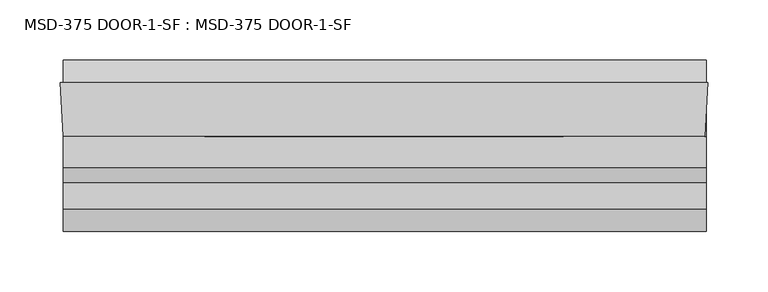
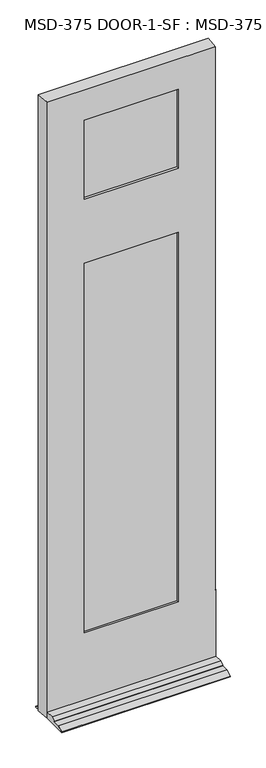
"""IFC4 building model written with IfcOpenShell, lengths in millimetres: plate geometry, MSD-375 DOOR-1-SF : MSD-375 DOOR-1-SF."""

from ifc_helpers import new_model, si_unit, frame, origin, place, context, project, spatial, polyline, outline, extrude, faceted_brep, source, transform, mapped, element, save


def msd_375_door_1_sf_msd_375_door_1_sf_7dbba387(model_context):
    return source(origin(), model_context, "Body", "SolidModel", [
        faceted_brep([(265.2313901, 1.8752528, 0.0), (266.6353327, 1.8752528, 0.0), (265.2313901, -20.6651106, 0.0), (265.2313901, -121.9497472, 0.0), (-270.2814, -121.9497472, 0.0), (-270.2814, -42.5747472, 0.0), (-273.05, 1.8752528, 0.0), (-270.2814, 1.8752528, 0.0), (-270.2814, 20.9252528, 0.0), (265.2313901, 20.9252528, 0.0), (265.2313901, -35.1325472, 226.2251), (265.2313901, -35.1325472, 246.0625), (265.2313901, -42.5747472, 246.0625), (265.2313901, -42.5747472, 21.4376), (265.2313901, -68.4446472, 21.4376), (265.2313901, -80.8652472, 14.2748), (265.2313901, -80.8652472, 12.7), (265.2313901, -102.8997472, 12.7), (265.2313901, -121.9497472, 3.175), (265.2313901, -20.6651106, 226.2251), (265.2313901, 20.9252528, 3.175), (265.2313901, 1.8752528, 12.7), (-270.2814, 1.8752528, 12.7), (-270.2814, 20.9252528, 3.175), (-270.2814, -121.9497472, 3.175), (-270.2814, -102.8997472, 12.7), (-270.2814, -80.8652472, 12.7), (-270.2814, -80.8652472, 14.2748), (-270.2814, -68.4446472, 21.4376), (-270.2814, -42.5747472, 21.4376), (266.6353327, 1.8752528, 2070.0168046), (-273.05, 1.8752528, 2070.0168046), (-152.4, 1.8752528, 1487.4748), (-152.4, 1.8752528, 246.0625), (145.9853327, 1.8752528, 246.0625), (145.9853327, 1.8752528, 1487.4748), (145.9853327, 1.8752528, 1968.4168046), (-152.4, 1.8752528, 1968.4168046), (-152.4, 1.8752528, 1703.3748), (145.9853327, 1.8752528, 1703.3748), (145.9853327, -9.7325472, 1968.4168046), (-152.4, -9.7325472, 1968.4168046), (165.8227327, -9.7325472, 1507.3249), (-172.2374, -9.7325472, 1507.3249), (-172.2374, -9.7325472, 226.2251), (165.8227327, -9.7325472, 226.2251), (-152.4, -9.7325472, 1487.4748), (145.9853327, -9.7325472, 1487.4748), (145.9853327, -9.7325472, 246.0625), (-152.4, -9.7325472, 246.0625), (165.8227327, -9.7325472, 1988.3374), (-172.2374, -9.7325472, 1988.3374), (-172.2374, -9.7325472, 1683.5374), (165.8227327, -9.7325472, 1683.5374), (145.9853327, -9.7325472, 1703.3748), (-152.4, -9.7325472, 1703.3748), (165.8227327, -35.1325472, 1988.3374), (-172.2374, -35.1325472, 1988.3374), (264.3302755, -35.1325472, 226.2251), (264.3302755, -35.1325472, 246.0625), (-172.2374, -35.1325472, 1507.3249), (165.8227327, -35.1325472, 1507.3249), (165.8227327, -35.1325472, 226.2251), (-172.2374, -35.1325472, 226.2251), (145.9853327, -35.1325472, 1487.4748), (-152.4, -35.1325472, 1487.4748), (-152.4, -35.1325472, 246.0625), (145.9853327, -35.1325472, 246.0625), (165.8227327, -35.1325472, 1683.5374), (-172.2374, -35.1325472, 1683.5374), (145.9853327, -35.1325472, 1968.4168046), (-152.4, -35.1325472, 1968.4168046), (-152.4, -35.1325472, 1703.3748), (145.9853327, -35.1325472, 1703.3748), (145.9853327, -42.5747472, 1968.4168046), (-152.4, -42.5747472, 1968.4168046), (263.8667327, -42.5747472, 2070.0168046), (-270.2814, -42.5747472, 2070.0168046), (263.8667327, -42.5747472, 246.0625), (145.9853327, -42.5747472, 1487.4748), (145.9853327, -42.5747472, 246.0625), (-152.4, -42.5747472, 246.0625), (-152.4, -42.5747472, 1487.4748), (145.9853327, -42.5747472, 1703.3748), (-152.4, -42.5747472, 1703.3748)], [[[0, 1, 2, 3, 4, 5, 6, 7, 8, 9]], [[10, 11, 12, 13, 14, 15, 16, 17, 18, 3, 2, 19]], [[9, 20, 21, 0]], [[22, 23, 8, 7]], [[4, 24, 25, 26, 27, 28, 29, 5]], [[30, 1, 0, 21, 22, 7, 6, 31], [32, 33, 34, 35], [36, 37, 38, 39]], [[36, 40, 41, 37]], [[42, 43, 44, 45], [46, 47, 48, 49]], [[50, 51, 52, 53], [41, 40, 54, 55]], [[50, 56, 57, 51]], [[11, 10, 58, 59]], [[60, 61, 62, 63], [64, 65, 66, 67]], [[57, 56, 68, 69], [70, 71, 72, 73]], [[70, 74, 75, 71]], [[76, 77, 29, 13, 12, 78], [79, 80, 81, 82], [75, 74, 83, 84]], [[76, 30, 31, 77]], [[56, 50, 53, 68]], [[62, 61, 42, 45]], [[74, 70, 73, 83]], [[79, 64, 67, 80]], [[30, 76, 78, 59, 58, 19, 2, 1]], [[40, 36, 39, 54]], [[47, 35, 34, 48]], [[29, 77, 31, 6, 5]], [[71, 75, 84, 72]], [[65, 82, 81, 66]], [[44, 43, 60, 63]], [[51, 57, 69, 52]], [[37, 41, 55, 38]], [[32, 46, 49, 33]], [[39, 38, 55, 54]], [[68, 53, 52, 69]], [[73, 72, 84, 83]], [[65, 64, 79, 82]], [[42, 61, 60, 43]], [[32, 35, 47, 46]], [[10, 19, 58]], [[63, 62, 45, 44]], [[12, 11, 59, 78]], [[67, 66, 81, 80]], [[14, 13, 29, 28]], [[15, 14, 28, 27]], [[16, 15, 27, 26]], [[17, 16, 26, 25]], [[18, 17, 25, 24]], [[3, 18, 24, 4]], [[20, 9, 8, 23]], [[22, 21, 20, 23]], [[34, 33, 49, 48]]]),
        extrude(outline(polyline([(-170.3412802, -9.7325472), (165.2088756, -9.7325472), (165.2088756, -14.8125472), (-170.3412802, -14.8125472), (-170.3412802, -9.7325472)])), frame((0.0, 0.0, 1683.5374), z_axis=(0.0, 0.0, 1.0), x_axis=(1.0, 0.0, 0.0)), (0.0, 0.0, 1.0), 304.8),
        extrude(outline(polyline([(165.2088756, -24.2105472), (165.2088756, -29.2905472), (-170.3412802, -29.2905472), (-170.3412802, -24.2105472), (165.2088756, -24.2105472)])), frame((0.0, 0.0, 1683.5374), z_axis=(0.0, 0.0, 1.0), x_axis=(1.0, 0.0, 0.0)), (0.0, 0.0, 1.0), 304.8),
        extrude(outline(polyline([(-170.3412802, -30.0525472), (165.2088756, -30.0525472), (165.2088756, -35.1325472), (-170.3412802, -35.1325472), (-170.3412802, -30.0525472)])), frame((0.0, 0.0, 1683.5374), z_axis=(0.0, 0.0, 1.0), x_axis=(1.0, 0.0, 0.0)), (0.0, 0.0, 1.0), 304.8),
        extrude(outline(polyline([(-172.2374, -9.7325472), (165.8227327, -9.7325472), (165.8227327, -14.8125472), (-172.2374, -14.8125472), (-172.2374, -9.7325472)])), frame((0.0, 0.0, 226.21875), z_axis=(0.0, 0.0, 1.0), x_axis=(1.0, 0.0, 0.0)), (0.0, 0.0, 1.0), 1281.10615),
        extrude(outline(polyline([(165.8227327, -24.2105472), (165.8227327, -29.2905472), (-172.2374, -29.2905472), (-172.2374, -24.2105472), (165.8227327, -24.2105472)])), frame((0.0, 0.0, 226.21875), z_axis=(0.0, 0.0, 1.0), x_axis=(1.0, 0.0, 0.0)), (0.0, 0.0, 1.0), 1281.10615),
        extrude(outline(polyline([(-172.2374, -30.0525472), (165.8227327, -30.0525472), (165.8227327, -35.1325472), (-172.2374, -35.1325472), (-172.2374, -30.0525472)])), frame((0.0, 0.0, 226.21875), z_axis=(0.0, 0.0, 1.0), x_axis=(1.0, 0.0, 0.0)), (0.0, 0.0, 1.0), 1281.10615),
    ])


if __name__ == "__main__":
    model = new_model("IFC4")
    model_context = context("Model", 3, world=origin())
    ifc_project = project(units=[si_unit("LENGTHUNIT", "METRE", prefix="MILLI")], contexts=[model_context])
    site = spatial("IfcSite", under=ifc_project)
    building = spatial("IfcBuilding", under=site)
    placement = place(None, origin())
    msd_375_door_1_sf_msd_375_door_1_sf_shape = msd_375_door_1_sf_msd_375_door_1_sf_7dbba387(model_context)
    element("IfcPlate", 1, ObjectType="MSD-375 DOOR-1-SF : MSD-375 DOOR-1-SF", at=placement, inside=building, context=model_context, shape_type="MappedRepresentation", body=[
        mapped(msd_375_door_1_sf_msd_375_door_1_sf_shape, transform((0.0, 0.0, 0.0), x_axis=(1.0, 0.0, 0.0), y_axis=(0.0, 1.0, 0.0), z_axis=(0.0, 0.0, 1.0))),
    ])
    save(model, "model.ifc")
